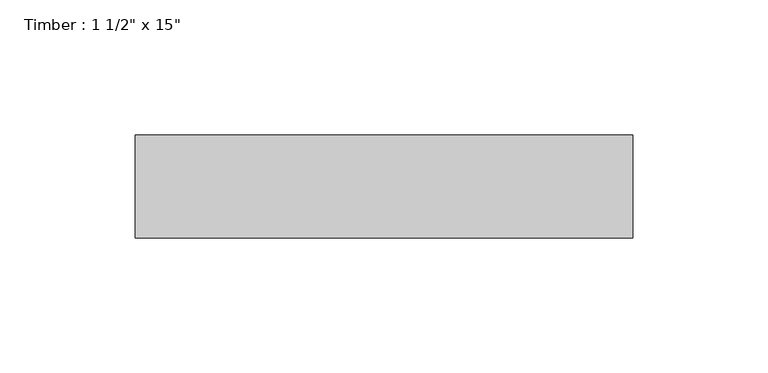
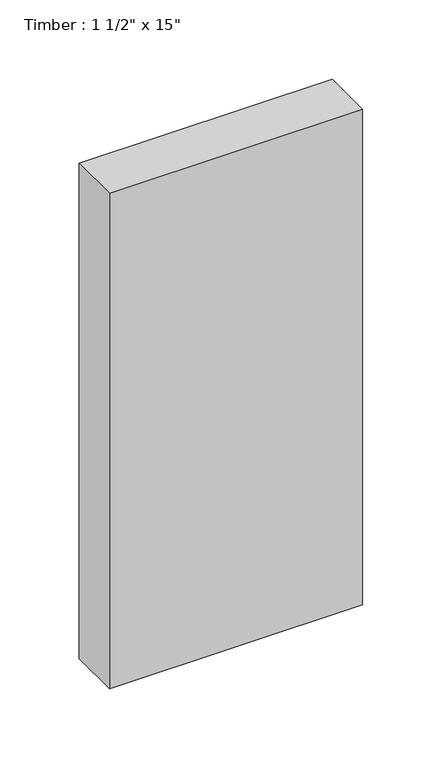
"""IFC4 building model written with IfcOpenShell, lengths in millimetres: beam geometry."""

from ifc_helpers import new_model, si_unit, frame, origin, place, context, project, spatial, polyline, outline, extrude, source, transform, mapped, element, save


def beam_65ee6fd3(model_context):
    return source(origin(), model_context, "Body", "SweptSolid", [
        extrude(outline(polyline([(92.075, 19.05), (92.075, -19.05), (-92.075, -19.05), (-92.075, 19.05), (92.075, 19.05)])), frame((0.0, 0.0, -190.5), z_axis=(0.0, 0.0, 1.0), x_axis=(1.0, 0.0, 0.0)), (0.0, 0.0, 1.0), 381.0),
    ])


if __name__ == "__main__":
    model = new_model("IFC4")
    model_context = context("Model", 3, world=origin())
    ifc_project = project(units=[si_unit("LENGTHUNIT", "METRE", prefix="MILLI")], contexts=[model_context])
    site = spatial("IfcSite", under=ifc_project)
    building = spatial("IfcBuilding", under=site)
    placement = place(None, origin())
    beam_shape = beam_65ee6fd3(model_context)
    element("IfcBeam", 1, ObjectType="Timber : 1 1/2\" x 15\"", at=placement, inside=building, context=model_context, shape_type="MappedRepresentation", body=[
        mapped(beam_shape, transform((0.0, 0.0, 0.0), x_axis=(1.0, 0.0, 0.0), y_axis=(0.0, 1.0, 0.0), z_axis=(0.0, 0.0, 1.0))),
    ])
    save(model, "model.ifc")
